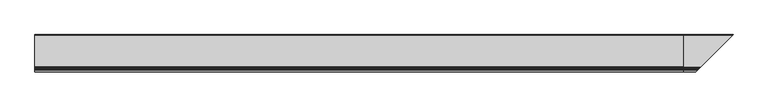
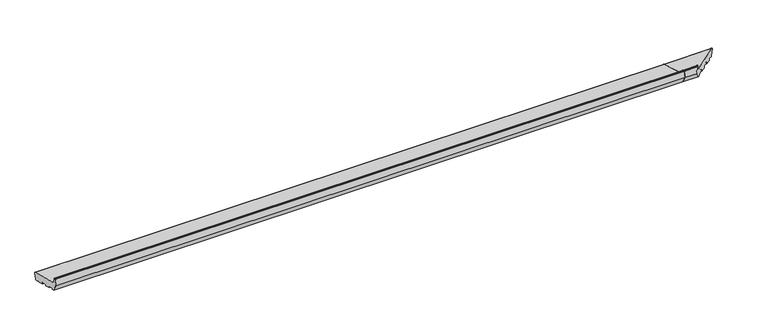
"""IFC4 building model written with IfcOpenShell, lengths in millimetres: proxy geometry."""

import ifcopenshell
import ifcopenshell.guid

model = None  # the IFC model being written
_history = None  # IfcOwnerHistory: only IFC2X3 demands one
_inside = {}  # id of a spatial element -> (the spatial element, [elements in it])
_under = {}  # id of a project, library or spatial element -> (it, [spatial elements below it])
_declared = {}  # id of a project -> (the project, [libraries it declares])
_typed = {}  # id of a type object -> (the type object, [elements of that type])
_made_of = {}  # id of a material, layer set ... -> (it, [elements and type objects made of it])


def new_model(schema):
    """Start an empty IFC model of exactly this schema.

    Asked for "IFC4X3", IfcOpenShell would pick the latest addendum, in which some entities
    have other attributes; the version numbers below select the first issue.
    IFC2X3 requires an IfcOwnerHistory on every rooted entity: one is made here for all.
    """
    global model, _history
    if schema == "IFC4X3":
        model = ifcopenshell.file(schema_version=(4, 3, 0, 0))
    else:
        model = ifcopenshell.file(schema=schema)
    _inside.clear()
    _under.clear()
    _declared.clear()
    _typed.clear()
    _made_of.clear()
    _history = None
    if model.schema == "IFC2X3":
        org = make("IfcOrganization", Name="unknown")
        user = make(
            "IfcPersonAndOrganization",
            ThePerson=make("IfcPerson", FamilyName="unknown"),
            TheOrganization=org,
        )
        app = make(
            "IfcApplication",
            ApplicationDeveloper=org,
            Version="unknown",
            ApplicationFullName="unknown",
            ApplicationIdentifier="unknown",
        )
        _history = make(
            "IfcOwnerHistory",
            OwningUser=user,
            OwningApplication=app,
            ChangeAction="ADDED",
            CreationDate=0,
        )
    return model


def make(cls, **values):
    """One entity of the class cls with the attributes given. An attribute that is None is left unset."""
    return model.create_entity(
        cls, **{name: value for name, value in values.items() if value is not None}
    )


def rooted(cls, **values):
    """An entity with a GlobalId (a new one), such as an element, a storey or a relation."""
    return make(cls, GlobalId=ifcopenshell.guid.new(), OwnerHistory=_history, **values)


def si_unit(unit_type, name, prefix=None):
    """IfcSIUnit, for example si_unit("LENGTHUNIT", "METRE", prefix="MILLI")."""
    return make("IfcSIUnit", UnitType=unit_type, Prefix=prefix, Name=name)


def assignment(units):
    """IfcUnitAssignment: the units of a project."""
    return None if units is None else make("IfcUnitAssignment", Units=units)


def point(xyz):
    """IfcCartesianPoint."""
    return None if xyz is None else make("IfcCartesianPoint", Coordinates=xyz)


def direction(xyz):
    """IfcDirection."""
    return None if xyz is None else make("IfcDirection", DirectionRatios=xyz)


def frame(location, z_axis=None, x_axis=None):
    """IfcAxis2Placement3D, a coordinate frame: its origin and axes. An axis left out is left unset."""
    return make(
        "IfcAxis2Placement3D",
        Location=point(location),
        Axis=direction(z_axis),
        RefDirection=direction(x_axis),
    )


def frame_2d(location, x_axis=None):
    """IfcAxis2Placement2D, a coordinate frame in the plane: its origin and x axis."""
    return make(
        "IfcAxis2Placement2D", Location=point(location), RefDirection=direction(x_axis)
    )


def origin():
    """The frame at (0, 0, 0) with its axes left unset."""
    return frame((0.0, 0.0, 0.0))


def place(relative_to, where):
    """IfcLocalPlacement: puts the frame where relative to a parent placement (None: the world)."""
    return make(
        "IfcLocalPlacement", PlacementRelTo=relative_to, RelativePlacement=where
    )


def context(
    kind, dimensions, precision=None, world=None, true_north=None, identifier=None
):
    """IfcGeometricRepresentationContext, for example the 3D "Model" context."""
    return make(
        "IfcGeometricRepresentationContext",
        ContextIdentifier=identifier,
        ContextType=kind,
        CoordinateSpaceDimension=dimensions,
        Precision=precision,
        WorldCoordinateSystem=world,
        TrueNorth=true_north,
    )


def project(units=None, contexts=None):
    """IfcProject with its units and contexts."""
    return rooted(
        "IfcProject",
        Name="project",
        RepresentationContexts=contexts,
        UnitsInContext=assignment(units),
    )


def spatial(cls, under=None, at=None, **own):
    """A site, building, storey or space (cls), placed at a placement, below another one or the project."""
    s = rooted(cls, ObjectPlacement=at, **own)
    if under is not None:
        _under.setdefault(under.id(), (under, []))[1].append(s)
    return s


def polyline(points):
    """IfcPolyline through the points."""
    return make("IfcPolyline", Points=[point(p) for p in points])


def circle_curve(where, radius):
    """IfcCircle in the frame where."""
    return make("IfcCircle", Position=where, Radius=radius)


def ellipse_curve(where, semi_axis1, semi_axis2):
    """IfcEllipse in the frame where."""
    return make(
        "IfcEllipse", Position=where, SemiAxis1=semi_axis1, SemiAxis2=semi_axis2
    )


def trimmed(basis, trim1, trim2, sense, master):
    """IfcTrimmedCurve: the piece of a basis curve between two trims."""
    return make(
        "IfcTrimmedCurve",
        BasisCurve=basis,
        Trim1=trim1,
        Trim2=trim2,
        SenseAgreement=sense,
        MasterRepresentation=master,
    )


def segment(curve, same_sense, transition):
    """IfcCompositeCurveSegment."""
    return make(
        "IfcCompositeCurveSegment",
        Transition=transition,
        SameSense=same_sense,
        ParentCurve=curve,
    )


def composite_curve(segments, self_intersect=None):
    """IfcCompositeCurve: segments joined end to end."""
    return make("IfcCompositeCurve", Segments=segments, SelfIntersect=self_intersect)


def outline(outer, holes=None, kind="AREA"):
    """IfcArbitraryClosedProfileDef: a profile drawn as a closed curve; with holes, ...WithVoids."""
    if holes is None:
        return make("IfcArbitraryClosedProfileDef", ProfileType=kind, OuterCurve=outer)
    return make(
        "IfcArbitraryProfileDefWithVoids",
        ProfileType=kind,
        OuterCurve=outer,
        InnerCurves=holes,
    )


def extrude(swept, where, along, depth):
    """IfcExtrudedAreaSolid: the profile swept, set in the frame where, extruded along a direction by depth."""
    return make(
        "IfcExtrudedAreaSolid",
        SweptArea=swept,
        Position=where,
        ExtrudedDirection=direction(along),
        Depth=depth,
    )


def shape(context_of_items, identifier, shape_type, items):
    """IfcShapeRepresentation: the items that make up one representation, for example the "Body"."""
    return make(
        "IfcShapeRepresentation",
        ContextOfItems=context_of_items,
        RepresentationIdentifier=identifier,
        RepresentationType=shape_type,
        Items=items,
    )


def source(mapping_origin, context_of_items, identifier, shape_type, items):
    """IfcRepresentationMap: a shape defined once, which mapped items show again and again."""
    return make(
        "IfcRepresentationMap",
        MappingOrigin=mapping_origin,
        MappedRepresentation=shape(context_of_items, identifier, shape_type, items),
    )


def transform(
    local_origin,
    x_axis=None,
    y_axis=None,
    z_axis=None,
    scale=None,
    scale2=None,
    scale3=None,
    uniform=True,
):
    """IfcCartesianTransformationOperator3D, or its non-uniform kind. x_axis, y_axis, z_axis: its Axis1, 2, 3."""
    if uniform:
        return make(
            "IfcCartesianTransformationOperator3D",
            Axis1=direction(x_axis),
            Axis2=direction(y_axis),
            LocalOrigin=point(local_origin),
            Scale=scale,
            Axis3=direction(z_axis),
        )
    return make(
        "IfcCartesianTransformationOperator3DnonUniform",
        Axis1=direction(x_axis),
        Axis2=direction(y_axis),
        LocalOrigin=point(local_origin),
        Scale=scale,
        Axis3=direction(z_axis),
        Scale2=scale2,
        Scale3=scale3,
    )


def mapped(mapping_source, mapping_target):
    """IfcMappedItem: shows the shape of a source again, moved by a transform."""
    return make(
        "IfcMappedItem", MappingSource=mapping_source, MappingTarget=mapping_target
    )


def made_of(thing, what):
    """Note that an element or type object is made of a material, layer set ...; save() writes the relation."""
    if what is not None:
        _made_of.setdefault(what.id(), (what, []))[1].append(thing)
    return thing


def element(
    cls,
    number,
    at=None,
    inside=None,
    cuts=None,
    type_object=None,
    material=None,
    context=None,
    identifier="Body",
    shape_type=None,
    held_by="IfcProductDefinitionShape",
    body=None,
    shapes=None,
    **own,
):
    """One element of the class cls, such as IfcWall. Its Tag is "e" and its number.

    at: its placement. inside: the storey or other place that contains it. cuts: it is an
    opening in that element (IfcRelVoidsElement). A single representation is given by context,
    identifier, shape_type and body (its items); several are given by shapes. held_by: the class
    of the entity that holds the representations. save() writes the other relations.
    """
    e = rooted(cls, Tag="e%d" % number, ObjectPlacement=at, **own)
    if body is not None:
        shapes = [shape(context, identifier, shape_type, body)]
    if shapes is not None:
        e.Representation = make(held_by, Representations=shapes)
    if inside is not None:
        _inside.setdefault(inside.id(), (inside, []))[1].append(e)
    if cuts is not None:
        rooted(
            "IfcRelVoidsElement", RelatingBuildingElement=cuts, RelatedOpeningElement=e
        )
    if type_object is not None:
        _typed.setdefault(type_object.id(), (type_object, []))[1].append(e)
    return made_of(e, material)


def aggregate(whole, parts):
    """IfcRelAggregates: a whole, such as a stair, and the parts it consists of."""
    return rooted("IfcRelAggregates", RelatingObject=whole, RelatedObjects=parts)


def save(model, path):
    """Write the relations noted so far, then the file.

    IfcRelAggregates (storeys below a building ...), IfcRelContainedInSpatialStructure (elements
    in a storey), IfcRelDefinesByType, IfcRelAssociatesMaterial and IfcRelDeclares: one each for
    every whole, place, type object, material and project.
    """
    for whole, parts in _under.values():
        aggregate(whole, parts)
    for where, things in _inside.values():
        rooted(
            "IfcRelContainedInSpatialStructure",
            RelatedElements=things,
            RelatingStructure=where,
        )
    for kind, things in _typed.values():
        rooted("IfcRelDefinesByType", RelatedObjects=things, RelatingType=kind)
    for what, things in _made_of.values():
        rooted("IfcRelAssociatesMaterial", RelatedObjects=things, RelatingMaterial=what)
    for by, libraries in _declared.values():
        rooted("IfcRelDeclares", RelatingContext=by, RelatedDefinitions=libraries)
    model.write(path)


def plane_surface(at):
    """IfcPlane: the flat surface through the origin of the frame at, square to its z axis."""
    return make("IfcPlane", Position=at)


def cylinder_surface(at, radius):
    """IfcCylindricalSurface: all points at the distance radius from the z axis of the frame at."""
    return make("IfcCylindricalSurface", Position=at, Radius=radius)


def revolved_surface(curve, axis_point, axis_direction):
    """IfcSurfaceOfRevolution: the curve turned about the line through axis_point along axis_direction."""
    return make(
        "IfcSurfaceOfRevolution",
        SweptCurve=make("IfcArbitraryOpenProfileDef", ProfileType="CURVE", Curve=curve),
        AxisPosition=make("IfcAxis1Placement", Location=point(axis_point), Axis=direction(axis_direction)),
    )


def advanced_brep(points, edges, surfaces, faces):
    """IfcAdvancedBrep: a solid bounded by faces that lie on surfaces and meet in shared edges.

    An edge is (start, end): straight between two places in points (the first is 0);
    or (start, end, curve); or (start, end, curve, False) where it runs against its curve.
    A face is (place in surfaces, loops), or (place, loops, False) where it looks against
    its surface's normal. A loop lists edges by number (the first is 1), with a minus sign
    where the edge is run from its end to its start. The first loop is the outer one.
    """
    corners = [point(p) for p in points]
    vertices = [make("IfcVertexPoint", VertexGeometry=c) for c in corners]
    made = []
    for start, end, *more in edges:
        made.append(
            make(
                "IfcEdgeCurve",
                EdgeStart=vertices[start],
                EdgeEnd=vertices[end],
                EdgeGeometry=more[0] if more else make("IfcPolyline", Points=[corners[start], corners[end]]),
                SameSense=more[1] if len(more) > 1 else True,
            )
        )
    hull = []
    for where, loops, *sense in faces:
        bounds = []
        for j, loop in enumerate(loops):
            ring = [make("IfcOrientedEdge", EdgeElement=made[abs(k) - 1], Orientation=k > 0) for k in loop]
            bounds.append(
                make(
                    "IfcFaceOuterBound" if j == 0 else "IfcFaceBound",
                    Bound=make("IfcEdgeLoop", EdgeList=ring),
                    Orientation=True,
                )
            )
        hull.append(make("IfcAdvancedFace", Bounds=bounds, FaceSurface=surfaces[where], SameSense=sense[0] if sense else True))
    return make("IfcAdvancedBrep", Outer=make("IfcClosedShell", CfsFaces=hull))


def generic_models_4ce72987(model_context):
    return source(origin(), model_context, "Body", "SolidModel", [
        advanced_brep(
        [(2695.0, 24.4386976, 5.4869469), (2695.0, 21.7219201, 6.2149052), (2695.0, 7.5536904, 14.8023515), (2695.0, 6.0694345, 14.2059898), (2695.0, 5.1201811, 10.6633278), (2695.0, 3.8954362, 9.956221), (2695.0, -18.3208578, 15.909059), (2695.0, -19.0279645, 17.1338039), (2695.0, -17.9926884, 20.9975072), (2695.0, -18.6997951, 22.2222521), (2695.0, -41.882015, 28.4339092), (2695.0, -43.1067598, 27.7268024), (2695.0, -44.142036, 23.8630991), (2695.0, -45.3667809, 23.1559923), (2695.0, -67.5830749, 29.1088303), (2695.0, -68.2901817, 30.3335752), (2695.0, -67.2549055, 34.1972785), (2695.0, -67.9620123, 35.4220234), (2695.0, -91.1442321, 41.6336805), (2695.0, -92.368977, 40.9265737), (2695.0, -93.4042532, 37.0628704), (2695.0, -94.628998, 36.3557636), (2695.0, -103.3223305, 38.685135), (2695.0, -121.0, 69.3037568), (2695.0, -114.4291321, 93.8265696), (2695.0, -112.9802434, 94.9383411), (2695.0, -109.6368689, 94.9383411), (2695.0, -108.1879801, 93.8265696), (2695.0, -103.4052841, 75.9773049), (2695.0, -99.1626434, 71.7346642), (2695.0, 32.7209071, 36.3965733), (2695.0, 34.8422274, 32.7223387), (2695.0, 28.1129323, 7.6082672), (2894.1129323, 28.1129323, 7.6082672), (2890.4386976, 24.4386976, 5.4869469), (2900.8422274, 34.8422274, 32.7223387), (2898.7209071, 32.7209071, 36.3965733), (2766.8373566, -99.1626434, 71.7346642), (2762.5947159, -103.4052841, 75.9773049), (2757.8120199, -108.1879801, 93.8265696), (2756.3631311, -109.6368689, 94.9383411), (2753.0197566, -112.9802434, 94.9383411), (2751.5708679, -114.4291321, 93.8265696), (2745.0, -121.0, 69.3037568), (2762.6776695, -103.3223305, 38.685135), (2771.371002, -94.628998, 36.3557636), (2772.5957468, -93.4042532, 37.0628704), (2773.631023, -92.368977, 40.9265737), (2774.8557679, -91.1442321, 41.6336805), (2798.0379877, -67.9620123, 35.4220234), (2798.7450945, -67.2549055, 34.1972785), (2797.7098183, -68.2901817, 30.3335752), (2798.4169251, -67.5830749, 29.1088303), (2820.6332191, -45.3667809, 23.1559923), (2821.857964, -44.142036, 23.8630991), (2822.8932402, -43.1067598, 27.7268024), (2824.117985, -41.882015, 28.4339092), (2887.7219201, 21.7219201, 6.2149052), (2847.3002049, -18.6997951, 22.2222521), (2847.6791422, -18.3208578, 15.909059), (2846.9720355, -19.0279645, 17.1338039), (2848.0073116, -17.9926884, 20.9975072), (2869.8954362, 3.8954362, 9.956221), (2871.1201811, 5.1201811, 10.6633278), (2872.0694345, 6.0694345, 14.2059898), (2873.5536904, 7.5536904, 14.8023515)],
        [
            (0, 1),
            (1, 2),
            (2, 3, circle_curve(frame((2695.0, 7.0353604, 13.9471708), z_axis=(1.0, 0.0, 0.0), x_axis=(0.0, 1.0, 0.0)), 1.0)),
            (3, 4),
            (4, 5, circle_curve(frame((2695.0, 4.1542553, 10.9221468), z_axis=(-1.0, 0.0, 0.0), x_axis=(0.0, 1.0, 0.0)), 1.0)),
            (5, 6),
            (6, 7, circle_curve(frame((2695.0, -18.0620387, 16.8749849), z_axis=(-1.0, 0.0, 0.0), x_axis=(0.0, 1.0, 0.0)), 1.0)),
            (7, 8),
            (8, 9, circle_curve(frame((2695.0, -18.9586142, 21.2563263), z_axis=(1.0, 0.0, 0.0), x_axis=(0.0, 1.0, 0.0)), 1.0)),
            (9, 10),
            (10, 11, circle_curve(frame((2695.0, -42.140834, 27.4679833), z_axis=(1.0, 0.0, 0.0), x_axis=(0.0, 1.0, 0.0)), 1.0)),
            (11, 12),
            (12, 13, circle_curve(frame((2695.0, -45.1079618, 24.1219181), z_axis=(-1.0, 0.0, 0.0), x_axis=(0.0, 1.0, 0.0)), 1.0)),
            (13, 14),
            (14, 15, circle_curve(frame((2695.0, -67.3242559, 30.0747562), z_axis=(-1.0, 0.0, 0.0), x_axis=(0.0, 1.0, 0.0)), 1.0)),
            (15, 16),
            (16, 17, circle_curve(frame((2695.0, -68.2208313, 34.4560976), z_axis=(1.0, 0.0, 0.0), x_axis=(0.0, 1.0, 0.0)), 1.0)),
            (17, 18),
            (18, 19, circle_curve(frame((2695.0, -91.4030512, 40.6677546), z_axis=(1.0, 0.0, 0.0), x_axis=(0.0, 1.0, 0.0)), 1.0)),
            (19, 20),
            (20, 21, circle_curve(frame((2695.0, -94.370179, 37.3216894), z_axis=(-1.0, 0.0, 0.0), x_axis=(0.0, 1.0, 0.0)), 1.0)),
            (21, 22),
            (22, 23),
            (23, 24),
            (24, 25, circle_curve(frame((2695.0, -112.9802434, 93.4383411), z_axis=(-1.0, 0.0, 0.0), x_axis=(0.0, 1.0, 0.0)), 1.5)),
            (25, 26),
            (26, 27, circle_curve(frame((2695.0, -109.6368689, 93.4383411), z_axis=(-1.0, 0.0, 0.0), x_axis=(0.0, 1.0, 0.0)), 1.5)),
            (27, 28),
            (28, 29, circle_curve(frame((2695.0, -97.6097291, 77.5302191), z_axis=(1.0, 0.0, 0.0), x_axis=(0.0, 1.0, 0.0)), 6.0)),
            (29, 30),
            (30, 31, circle_curve(frame((2695.0, 31.94445, 33.4987958), z_axis=(-1.0, 0.0, 0.0), x_axis=(0.0, 1.0, 0.0)), 3.0)),
            (31, 32),
            (32, 0, circle_curve(frame((2695.0, 25.2151548, 8.3847244), z_axis=(-1.0, 0.0, 0.0), x_axis=(0.0, 1.0, 0.0)), 3.0)),
            (32, 33),
            (33, 34, ellipse_curve(frame((2891.2151548, 25.2151548, 8.3847244), z_axis=(-0.707106781186548, 0.7071067811865471, 0.0), x_axis=(0.707106781186547, 0.707106781186548, 0.0)), 4.2426407, 3.0)),
            (34, 0),
            (31, 35),
            (35, 33),
            (30, 36),
            (36, 35, ellipse_curve(frame((2897.94445, 31.94445, 33.4987958), z_axis=(-0.707106781186548, 0.7071067811865471, 0.0), x_axis=(0.707106781186547, 0.707106781186548, 0.0)), 4.2426407, 3.0)),
            (29, 37),
            (37, 36),
            (28, 38),
            (38, 37, ellipse_curve(frame((2768.3902709, -97.6097291, 77.5302191), z_axis=(0.707106781186548, -0.7071067811865471, 0.0), x_axis=(-0.707106781186547, -0.707106781186548, 0.0)), 8.4852814, 6.0)),
            (27, 39),
            (39, 38),
            (26, 40),
            (40, 39, ellipse_curve(frame((2756.3631311, -109.6368689, 93.4383411), z_axis=(-0.707106781186548, 0.7071067811865471, 0.0), x_axis=(0.707106781186547, 0.707106781186548, 0.0)), 2.1213203, 1.5)),
            (25, 41),
            (41, 40),
            (24, 42),
            (42, 41, ellipse_curve(frame((2753.0197566, -112.9802434, 93.4383411), z_axis=(-0.707106781186548, 0.7071067811865471, 0.0), x_axis=(0.707106781186547, 0.707106781186548, 0.0)), 2.1213203, 1.5)),
            (23, 43),
            (43, 42),
            (22, 44),
            (44, 43),
            (21, 45),
            (45, 44),
            (20, 46),
            (46, 45, ellipse_curve(frame((2771.629821, -94.370179, 37.3216894), z_axis=(-0.707106781186548, 0.7071067811865471, 0.0), x_axis=(0.707106781186547, 0.707106781186548, 0.0)), 1.4142136, 1.0)),
            (19, 47),
            (47, 46),
            (18, 48),
            (48, 47, ellipse_curve(frame((2774.5969488, -91.4030512, 40.6677546), z_axis=(0.707106781186548, -0.7071067811865471, 0.0), x_axis=(-0.707106781186547, -0.707106781186548, 0.0)), 1.4142136, 1.0)),
            (17, 49),
            (49, 48),
            (16, 50),
            (50, 49, ellipse_curve(frame((2797.7791687, -68.2208313, 34.4560976), z_axis=(0.707106781186548, -0.7071067811865471, 0.0), x_axis=(-0.707106781186547, -0.707106781186548, 0.0)), 1.4142136, 1.0)),
            (15, 51),
            (51, 50),
            (14, 52),
            (52, 51, ellipse_curve(frame((2798.6757441, -67.3242559, 30.0747562), z_axis=(-0.707106781186548, 0.7071067811865471, 0.0), x_axis=(0.707106781186547, 0.707106781186548, 0.0)), 1.4142136, 1.0)),
            (13, 53),
            (53, 52),
            (12, 54),
            (54, 53, ellipse_curve(frame((2820.8920382, -45.1079618, 24.1219181), z_axis=(-0.707106781186548, 0.7071067811865471, 0.0), x_axis=(0.707106781186547, 0.707106781186548, 0.0)), 1.4142136, 1.0)),
            (11, 55),
            (55, 54),
            (10, 56),
            (56, 55, ellipse_curve(frame((2823.859166, -42.140834, 27.4679833), z_axis=(0.707106781186548, -0.7071067811865471, 0.0), x_axis=(-0.707106781186547, -0.707106781186548, 0.0)), 1.4142136, 1.0)),
            (34, 57),
            (57, 1),
            (9, 58),
            (58, 56),
            (6, 59),
            (59, 60, ellipse_curve(frame((2847.9379613, -18.0620387, 16.8749849), z_axis=(-0.707106781186548, 0.7071067811865471, 0.0), x_axis=(0.707106781186547, 0.707106781186548, 0.0)), 1.4142136, 1.0)),
            (60, 7),
            (60, 61),
            (61, 8),
            (61, 58, ellipse_curve(frame((2847.0413858, -18.9586142, 21.2563263), z_axis=(0.707106781186548, -0.7071067811865471, 0.0), x_axis=(-0.707106781186547, -0.707106781186548, 0.0)), 1.4142136, 1.0)),
            (5, 62),
            (62, 59),
            (4, 63),
            (63, 62, ellipse_curve(frame((2870.1542553, 4.1542553, 10.9221468), z_axis=(-0.707106781186548, 0.7071067811865471, 0.0), x_axis=(0.707106781186547, 0.707106781186548, 0.0)), 1.4142136, 1.0)),
            (3, 64),
            (64, 63),
            (2, 65),
            (65, 64, ellipse_curve(frame((2873.0353604, 7.0353604, 13.9471708), z_axis=(0.707106781186548, -0.7071067811865471, 0.0), x_axis=(-0.707106781186547, -0.707106781186548, 0.0)), 1.4142136, 1.0)),
            (57, 65),
        ],
        [
            plane_surface(frame((2695.0, 0.0, 0.0), z_axis=(-1.0, 0.0, 0.0), x_axis=(0.0, 0.0, 1.0))),
            cylinder_surface(frame((2901.3741644, 25.2151548, 8.3847244), z_axis=(1.0, 0.0, 0.0), x_axis=(0.0, 1.0, 0.0)), 3.0),
            plane_surface(frame((2901.3741644, 34.8422274, 32.7223387), z_axis=(0.0, 0.9659258262890686, -0.2588190451025195), x_axis=(-1.0, 0.0, 0.0))),
            cylinder_surface(frame((2901.3741644, 31.94445, 33.4987958), z_axis=(1.0, 0.0, 0.0), x_axis=(0.0, 1.0, 0.0)), 3.0),
            plane_surface(frame((2901.3741644, -99.1626434, 71.7346642), z_axis=(0.0, 0.2588190451025208, 0.9659258262890683), x_axis=(-1.0, 0.0, 0.0))),
            revolved_surface(polyline([(2695.0, -91.6097291, 77.5302191), (2774.390270918216, -91.6097291, 77.5302191)]), (2901.3741644, -97.6097291, 77.5302191), (-1.0, 0.0, 0.0)),
            plane_surface(frame((2901.3741644, -108.1879801, 93.8265696), z_axis=(0.0, 0.9659258262890682, 0.2588190451025212), x_axis=(-1.0, 0.0, 0.0))),
            cylinder_surface(frame((2901.3741644, -109.6368689, 93.4383411), z_axis=(1.0, 0.0, 0.0), x_axis=(0.0, 1.0, 0.0)), 1.5),
            plane_surface(frame((2901.3741644, -112.9802434, 94.9383411), z_axis=(0.0, 0.0, 1.0), x_axis=(-1.0, 0.0, 0.0))),
            cylinder_surface(frame((2901.3741644, -112.9802434, 93.4383411), z_axis=(1.0, 0.0, 0.0), x_axis=(0.0, 1.0, 0.0)), 1.5),
            plane_surface(frame((2901.3741644, -121.0, 69.3037568), z_axis=(0.0, -0.9659258262890684, 0.2588190451025204), x_axis=(-1.0, 0.0, 0.0))),
            plane_surface(frame((2901.3741644, -103.3223305, 38.685135), z_axis=(0.0, -0.8660254037844387, -0.4999999999999999), x_axis=(-1.0, 0.0, 0.0))),
            plane_surface(frame((2901.3741644, -94.628998, 36.3557636), z_axis=(0.0, -0.2588190451025165, -0.9659258262890695), x_axis=(-1.0, 0.0, 0.0))),
            cylinder_surface(frame((2901.3741644, -94.370179, 37.3216894), z_axis=(1.0, 0.0, 0.0), x_axis=(0.0, 1.0, 0.0)), 1.0),
            plane_surface(frame((2901.3741644, -92.368977, 40.9265737), z_axis=(0.0, 0.9659258262890698, -0.2588190451025152), x_axis=(-1.0, 0.0, 0.0))),
            revolved_surface(polyline([(2695.0, -90.4030512, 40.6677546), (2775.5969488266064, -90.4030512, 40.6677546)]), (2901.3741644, -91.4030512, 40.6677546), (-1.0, 0.0, 0.0)),
            plane_surface(frame((2901.3741644, -67.9620123, 35.4220234), z_axis=(0.0, -0.2588190451025194, -0.9659258262890686), x_axis=(-1.0, 0.0, 0.0))),
            revolved_surface(polyline([(2695.0, -67.2208313, 34.4560976), (2798.7791687266063, -67.2208313, 34.4560976)]), (2901.3741644, -68.2208313, 34.4560976), (-1.0, 0.0, 0.0)),
            plane_surface(frame((2901.3741644, -68.2901817, 30.3335752), z_axis=(0.0, -0.9659258262890703, 0.25881904510251325), x_axis=(-1.0, 0.0, 0.0))),
            cylinder_surface(frame((2901.3741644, -67.3242559, 30.0747562), z_axis=(1.0, 0.0, 0.0), x_axis=(0.0, 1.0, 0.0)), 1.0),
            plane_surface(frame((2901.3741644, -45.3667809, 23.1559923), z_axis=(0.0, -0.2588190451025213, -0.9659258262890682), x_axis=(-1.0, 0.0, 0.0))),
            cylinder_surface(frame((2901.3741644, -45.1079618, 24.1219181), z_axis=(1.0, 0.0, 0.0), x_axis=(0.0, 1.0, 0.0)), 1.0),
            plane_surface(frame((2901.3741644, -43.1067598, 27.7268024), z_axis=(0.0, 0.9659258262890698, -0.2588190451025152), x_axis=(-1.0, 0.0, 0.0))),
            revolved_surface(polyline([(2695.0, -41.140834, 27.4679833), (2824.8591660266065, -41.140834, 27.4679833)]), (2901.3741644, -42.140834, 27.4679833), (-1.0, 0.0, 0.0)),
            plane_surface(frame((2901.3741644, 24.4386976, 5.4869469), z_axis=(0.0, -0.25881904510252585, -0.9659258262890669), x_axis=(-1.0, 0.0, 0.0))),
            plane_surface(frame((2901.3741644, -18.6997951, 22.2222521), z_axis=(0.0, -0.25881904510252046, -0.9659258262890684), x_axis=(-1.0, 0.0, 0.0))),
            cylinder_surface(frame((2901.3741644, -18.0620387, 16.8749849), z_axis=(1.0, 0.0, 0.0), x_axis=(0.0, 1.0, 0.0)), 1.0),
            plane_surface(frame((2901.3741644, -19.0279645, 17.1338039), z_axis=(0.0, -0.9659258262890703, 0.25881904510251325), x_axis=(-1.0, 0.0, 0.0))),
            revolved_surface(polyline([(2695.0, -17.9586142, 21.2563263), (2848.0413858266065, -17.9586142, 21.2563263)]), (2901.3741644, -18.9586142, 21.2563263), (-1.0, 0.0, 0.0)),
            plane_surface(frame((2901.3741644, 3.8954362, 9.956221), z_axis=(0.0, -0.2588190451025213, -0.9659258262890682), x_axis=(-1.0, 0.0, 0.0))),
            cylinder_surface(frame((2901.3741644, 4.1542553, 10.9221468), z_axis=(1.0, 0.0, 0.0), x_axis=(0.0, 1.0, 0.0)), 1.0),
            plane_surface(frame((2901.3741644, 6.0694345, 14.2059898), z_axis=(0.0, 0.965925826289068, -0.2588190451025223), x_axis=(-1.0, 0.0, 0.0))),
            revolved_surface(polyline([(2695.0, 8.0353604, 13.9471708), (2874.0353604266065, 8.0353604, 13.9471708)]), (2901.3741644, 7.0353604, 13.9471708), (-1.0, 0.0, 0.0)),
            plane_surface(frame((2901.3741644, 21.7219201, 6.2149052), z_axis=(0.0, -0.5183299834329756, -0.8551806991942529), x_axis=(-1.0, 0.0, 0.0))),
            plane_surface(frame((2847.2045815, -18.7954185, 0.0), z_axis=(0.707106781186548, -0.7071067811865471, 0.0), x_axis=(0.0, 0.0, 1.0))),
        ],
        [
            (0, [[1, 2, 3, 4, 5, 6, 7, 8, 9, 10, 11, 12, 13, 14, 15, 16, 17, 18, 19, 20, 21, 22, 23, 24, 25, 26, 27, 28, 29, 30, 31, 32, 33]]),
            (1, [[34, 35, 36, -33]]),
            (2, [[37, 38, -34, -32]]),
            (3, [[39, 40, -37, -31]]),
            (4, [[41, 42, -39, -30]]),
            (5, [[43, 44, -41, -29]]),
            (6, [[45, 46, -43, -28]]),
            (7, [[47, 48, -45, -27]]),
            (8, [[49, 50, -47, -26]]),
            (9, [[51, 52, -49, -25]]),
            (10, [[53, 54, -51, -24]]),
            (11, [[55, 56, -53, -23]]),
            (12, [[57, 58, -55, -22]]),
            (13, [[59, 60, -57, -21]]),
            (14, [[61, 62, -59, -20]]),
            (15, [[63, 64, -61, -19]]),
            (16, [[65, 66, -63, -18]]),
            (17, [[67, 68, -65, -17]]),
            (18, [[69, 70, -67, -16]]),
            (19, [[71, 72, -69, -15]]),
            (20, [[73, 74, -71, -14]]),
            (21, [[75, 76, -73, -13]]),
            (22, [[77, 78, -75, -12]]),
            (23, [[79, 80, -77, -11]]),
            (24, [[-36, 81, 82, -1]]),
            (25, [[83, 84, -79, -10]]),
            (26, [[85, 86, 87, -7]]),
            (27, [[-87, 88, 89, -8]]),
            (28, [[-89, 90, -83, -9]]),
            (29, [[91, 92, -85, -6]]),
            (30, [[93, 94, -91, -5]]),
            (31, [[95, 96, -93, -4]]),
            (32, [[97, 98, -95, -3]]),
            (33, [[-82, 99, -97, -2]]),
            (34, [[-38, -40, -42, -44, -46, -48, -50, -52, -54, -56, -58, -60, -62, -64, -66, -68, -70, -72, -74, -76, -78, -80, -84, -90, -88, -86, -92, -94, -96, -98, -99, -81, -35]]),
        ],
    ),
        extrude(outline(composite_curve([segment(polyline([(24.4386976, 5.4869469), (21.7219201, 6.2149052), (7.5536904, 14.8023515)]), True, "CONTINUOUS"), segment(trimmed(circle_curve(frame_2d((7.0353604, 13.9471708)), 1.0), [point((7.5536904, 14.8023515))], [point((6.0694345, 14.2059898))], True, "CARTESIAN"), True, "CONTINUOUS"), segment(polyline([(6.0694345, 14.2059898), (5.1201811, 10.6633278)]), True, "CONTINUOUS"), segment(trimmed(circle_curve(frame_2d((4.1542553, 10.9221468)), 1.0), [point((5.1201811, 10.6633278))], [point((3.8954362, 9.956221))], False, "CARTESIAN"), True, "CONTINUOUS"), segment(polyline([(3.8954362, 9.956221), (-18.3208578, 15.909059)]), True, "CONTINUOUS"), segment(trimmed(circle_curve(frame_2d((-18.0620387, 16.8749849)), 1.0), [point((-18.3208578, 15.909059))], [point((-19.0279645, 17.1338039))], False, "CARTESIAN"), True, "CONTINUOUS"), segment(polyline([(-19.0279645, 17.1338039), (-17.9926884, 20.9975072)]), True, "CONTINUOUS"), segment(trimmed(circle_curve(frame_2d((-18.9586142, 21.2563263)), 1.0), [point((-17.9926884, 20.9975072))], [point((-18.6997951, 22.2222521))], True, "CARTESIAN"), True, "CONTINUOUS"), segment(polyline([(-18.6997951, 22.2222521), (-41.882015, 28.4339092)]), True, "CONTINUOUS"), segment(trimmed(circle_curve(frame_2d((-42.140834, 27.4679833)), 1.0), [point((-41.882015, 28.4339092))], [point((-43.1067598, 27.7268024))], True, "CARTESIAN"), True, "CONTINUOUS"), segment(polyline([(-43.1067598, 27.7268024), (-44.142036, 23.8630991)]), True, "CONTINUOUS"), segment(trimmed(circle_curve(frame_2d((-45.1079618, 24.1219181)), 1.0), [point((-44.142036, 23.8630991))], [point((-45.3667809, 23.1559923))], False, "CARTESIAN"), True, "CONTINUOUS"), segment(polyline([(-45.3667809, 23.1559923), (-67.5830749, 29.1088303)]), True, "CONTINUOUS"), segment(trimmed(circle_curve(frame_2d((-67.3242559, 30.0747562)), 1.0), [point((-67.5830749, 29.1088303))], [point((-68.2901817, 30.3335752))], False, "CARTESIAN"), True, "CONTINUOUS"), segment(polyline([(-68.2901817, 30.3335752), (-67.2549055, 34.1972785)]), True, "CONTINUOUS"), segment(trimmed(circle_curve(frame_2d((-68.2208313, 34.4560976)), 1.0), [point((-67.2549055, 34.1972785))], [point((-67.9620123, 35.4220234))], True, "CARTESIAN"), True, "CONTINUOUS"), segment(polyline([(-67.9620123, 35.4220234), (-91.1442321, 41.6336805)]), True, "CONTINUOUS"), segment(trimmed(circle_curve(frame_2d((-91.4030512, 40.6677546)), 1.0), [point((-91.1442321, 41.6336805))], [point((-92.368977, 40.9265737))], True, "CARTESIAN"), True, "CONTINUOUS"), segment(polyline([(-92.368977, 40.9265737), (-93.4042532, 37.0628704)]), True, "CONTINUOUS"), segment(trimmed(circle_curve(frame_2d((-94.370179, 37.3216894)), 1.0), [point((-93.4042532, 37.0628704))], [point((-94.628998, 36.3557636))], False, "CARTESIAN"), True, "CONTINUOUS"), segment(polyline([(-94.628998, 36.3557636), (-103.3223305, 38.685135), (-121.0, 69.3037568), (-114.4291321, 93.8265696)]), True, "CONTINUOUS"), segment(trimmed(circle_curve(frame_2d((-112.9802434, 93.4383411)), 1.5), [point((-114.4291321, 93.8265696))], [point((-112.9802434, 94.9383411))], False, "CARTESIAN"), True, "CONTINUOUS"), segment(polyline([(-112.9802434, 94.9383411), (-109.6368689, 94.9383411)]), True, "CONTINUOUS"), segment(trimmed(circle_curve(frame_2d((-109.6368689, 93.4383411)), 1.5), [point((-109.6368689, 94.9383411))], [point((-108.1879801, 93.8265696))], False, "CARTESIAN"), True, "CONTINUOUS"), segment(polyline([(-108.1879801, 93.8265696), (-103.4052841, 75.9773049)]), True, "CONTINUOUS"), segment(trimmed(circle_curve(frame_2d((-97.6097291, 77.5302191)), 6.0), [point((-103.4052841, 75.9773049))], [point((-99.1626434, 71.7346642))], True, "CARTESIAN"), True, "CONTINUOUS"), segment(polyline([(-99.1626434, 71.7346642), (32.7209071, 36.3965733)]), True, "CONTINUOUS"), segment(trimmed(circle_curve(frame_2d((31.94445, 33.4987958)), 3.0), [point((32.7209071, 36.3965733))], [point((34.8422274, 32.7223387))], False, "CARTESIAN"), True, "CONTINUOUS"), segment(polyline([(34.8422274, 32.7223387), (28.1129323, 7.6082672)]), True, "CONTINUOUS"), segment(trimmed(circle_curve(frame_2d((25.2151548, 8.3847244)), 3.0), [point((28.1129323, 7.6082672))], [point((24.4386976, 5.4869469))], False, "CARTESIAN"), True, "CONTINUOUS")], self_intersect=False)), frame((0.0, 0.0, 0.0), z_axis=(1.0, 0.0, 0.0), x_axis=(0.0, 1.0, 0.0)), (0.0, 0.0, 1.0), 2695.0),
    ])


if __name__ == "__main__":
    model = new_model("IFC4")
    model_context = context("Model", 3, world=origin())
    ifc_project = project(units=[si_unit("LENGTHUNIT", "METRE", prefix="MILLI")], contexts=[model_context])
    site = spatial("IfcSite", under=ifc_project)
    building = spatial("IfcBuilding", under=site)
    placement = place(None, origin())
    generic_models_shape = generic_models_4ce72987(model_context)
    element("IfcBuildingElementProxy", 1, Name="Generic Models", at=placement, inside=building, context=model_context, shape_type="MappedRepresentation", body=[
        mapped(generic_models_shape, transform((0.0, 0.0, 0.0), x_axis=(1.0, 0.0, 0.0), y_axis=(0.0, 1.0, 0.0), z_axis=(0.0, 0.0, 1.0))),
    ])
    save(model, "model.ifc")
